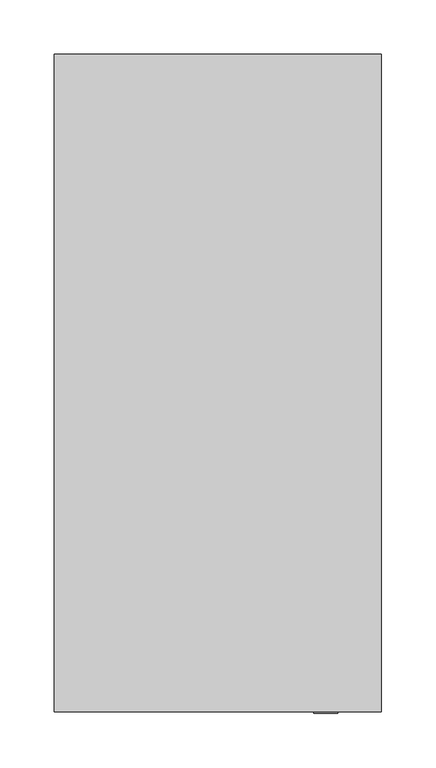
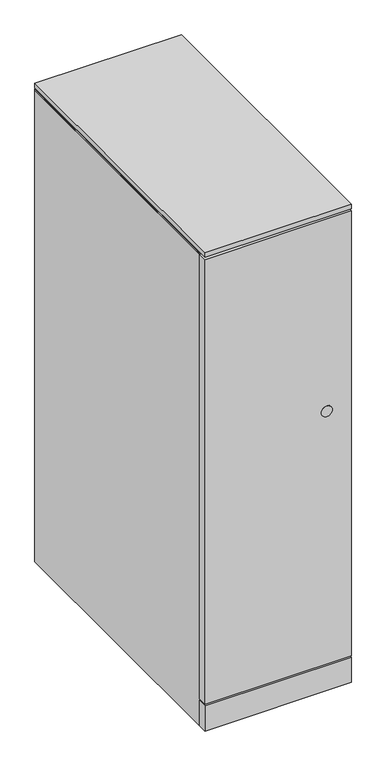
"""IFC4 building model written with IfcOpenShell, lengths in millimetres: furniture geometry."""

from ifc_helpers import new_model, si_unit, point, frame, frame_2d, origin, origin_with_axes, place, context, project, spatial, polyline, circle_curve, trimmed, segment, composite_curve, outline, extrude, faceted_brep, source, transform, mapped, element, save


def furniture_579bada3(model_context):
    return source(origin(), model_context, "Body", "SolidModel", [
        extrude(outline(polyline([(303.2125, -588.645), (1.5875, -588.645), (1.5875, -1.524), (303.2125, -1.524), (303.2125, -588.645)])), frame((0.0, 0.0, 1028.3698), z_axis=(0.0, 0.0, 1.0), x_axis=(1.0, 0.0, 0.0)), (0.0, 0.0, 1.0), 3.175),
        extrude(outline(polyline([(303.2125, -607.949), (1.5875, -607.949), (1.5875, -588.645), (303.2125, -588.645), (303.2125, -607.949)])), frame((0.0, 0.0, 61.9252), z_axis=(0.0, 0.0, 1.0), x_axis=(1.0, 0.0, 0.0)), (0.0, 0.0, 1.0), 966.4446),
        extrude(outline(polyline([(303.2125, -588.645), (303.2125, -607.949), (1.5875, -607.949), (1.5875, -588.645), (303.2125, -588.645)])), frame((0.0, 0.0, 3.5814), z_axis=(0.0, 0.0, 1.0), x_axis=(1.0, 0.0, 0.0)), (0.0, 0.0, 1.0), 55.1688),
        extrude(outline(polyline([(303.2125, -607.949), (1.5875, -607.949), (1.5875, -1.524), (303.2125, -1.524), (303.2125, -607.949)])), frame((0.0, 0.0, 1033.4498), z_axis=(0.0, 0.0, 1.0), x_axis=(1.0, 0.0, 0.0)), (0.0, 0.0, 1.0), 9.779),
        faceted_brep([(303.2125, -1.524, 1028.3698), (303.2125, -1.524, 3.5814), (1.5875, -1.524, 3.5814), (1.5875, -1.524, 1028.3698), (1.5875, -588.645, 1028.3698), (303.2125, -588.645, 1028.3698), (1.5875, -588.645, 3.5814), (303.2125, -588.645, 3.5814), (283.9085, -23.749, 1010.8946), (20.8915, -23.749, 1010.8946), (20.8915, -23.749, 79.4004), (283.9085, -23.749, 79.4004), (283.9085, -588.645, 1010.8946), (20.8915, -588.645, 1010.8946), (20.8915, -588.645, 79.4004), (283.9085, -588.645, 79.4004)], [[[0, 1, 2, 3]], [[0, 3, 4, 5]], [[3, 2, 6, 4]], [[2, 1, 7, 6]], [[1, 0, 5, 7]], [[8, 9, 10, 11]], [[9, 8, 12, 13]], [[10, 9, 13, 14]], [[11, 10, 14, 15]], [[8, 11, 15, 12]], [[5, 4, 6, 7], [13, 12, 15, 14]]]),
        extrude(outline(polyline([(46.1772, -27.7114), (61.8363, -36.7521856), (61.8363, -54.8337568), (46.1772, -63.8745424), (30.5181, -54.8337568), (30.5181, -36.7521856), (46.1772, -27.7114)])), origin_with_axes(), (0.0, 0.0, 1.0), 8.4328),
        extrude(outline(polyline([(46.1772, -581.7616), (30.5181, -572.7208144), (30.5181, -554.6392432), (46.1772, -545.5984576), (61.8363, -554.6392432), (61.8363, -572.7208144), (46.1772, -581.7616)])), origin_with_axes(), (0.0, 0.0, 1.0), 8.4328),
        extrude(outline(polyline([(258.6228, -27.7114), (274.2819, -36.7521856), (274.2819, -54.8337568), (258.6228, -63.8745424), (242.9637, -54.8337568), (242.9637, -36.7521856), (258.6228, -27.7114)])), origin_with_axes(), (0.0, 0.0, 1.0), 8.4328),
        extrude(outline(polyline([(258.6228, -581.7616), (242.9637, -572.7208144), (242.9637, -554.6392432), (258.6228, -545.5984576), (274.2819, -554.6392432), (274.2819, -572.7208144), (258.6228, -581.7616)])), origin_with_axes(), (0.0, 0.0, 1.0), 8.4328),
        extrude(outline(composite_curve([segment(trimmed(circle_curve(frame_2d((611.6955, 251.8281714)), 11.18616), [point((611.6955, 240.6420114))], [point((611.6955, 263.0143314))], False, "CARTESIAN"), True, "CONTINUOUS"), segment(trimmed(circle_curve(frame_2d((611.6955, 251.8281714)), 11.18616), [point((611.6955, 263.0143314))], [point((611.6955, 240.6420114))], False, "CARTESIAN"), True, "CONTINUOUS")], self_intersect=False)), frame((0.0, -609.219, 0.0), z_axis=(0.0, 1.0, 0.0), x_axis=(0.0, 0.0, 1.0)), (0.0, 0.0, 1.0), 4.445),
    ])


if __name__ == "__main__":
    model = new_model("IFC4")
    model_context = context("Model", 3, world=origin())
    ifc_project = project(units=[si_unit("LENGTHUNIT", "METRE", prefix="MILLI")], contexts=[model_context])
    site = spatial("IfcSite", under=ifc_project)
    building = spatial("IfcBuilding", under=site)
    placement = place(None, origin())
    furniture_shape = furniture_579bada3(model_context)
    element("IfcFurniture", 1, at=placement, inside=building, context=model_context, shape_type="MappedRepresentation", body=[
        mapped(furniture_shape, transform((0.0, 0.0, 0.0), x_axis=(1.0, 0.0, 0.0), y_axis=(0.0, 1.0, 0.0), z_axis=(0.0, 0.0, 1.0))),
    ])
    save(model, "model.ifc")
